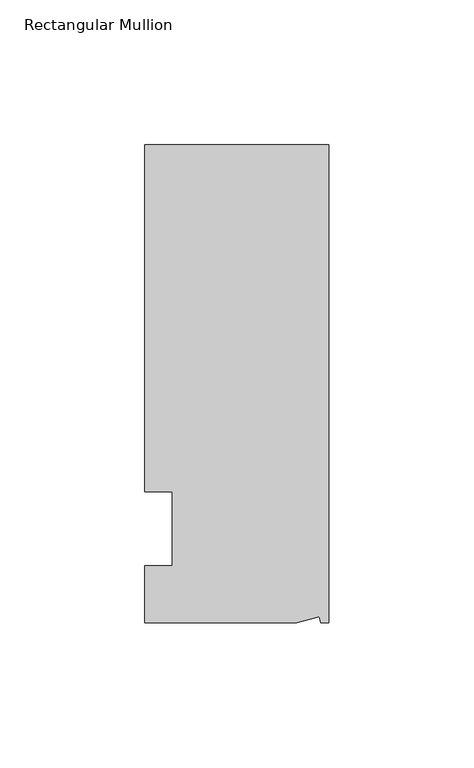
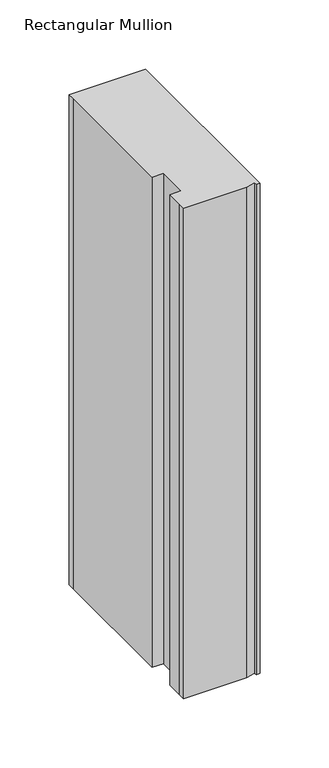
"""IFC4 building model written with IfcOpenShell, lengths in millimetres: member geometry, Rectangular Mullion."""

from ifc_helpers import new_model, si_unit, origin, place, context, project, spatial, faceted_brep, source, transform, mapped, element, save


def rectangular_mullion_7d20c284(model_context):
    return source(origin(), model_context, "Body", "Brep", [
        faceted_brep([(0.0, 132.5561012, 0.0), (-63.5, 132.5561012, 0.0), (-63.5, 126.2061012, 0.0), (-63.5, 12.8488281, 0.0), (-53.975, 12.8488281, 0.0), (-53.975, -12.7, 0.0), (-63.5, -12.7, 0.0), (-63.5, -26.1938988, 0.0), (-63.5076469, -32.5438988, 0.0), (-11.1125, -32.5438988, 0.0), (-3.3223696, -30.4565397, 0.0), (-2.7630634, -32.5438988, 0.0), (0.0, -32.5438988, 0.0), (0.0, 132.5561012, -431.8), (0.0, -32.5438988, -431.8), (-2.7630634, -32.5438988, -431.8), (-3.3223696, -30.4565397, -431.8), (-11.1125, -32.5438988, -431.8), (-63.5076469, -32.5438988, -431.8), (-63.5076469, -26.1938988, -431.8), (-63.5, -12.7, -431.8), (-53.975, -12.7, -431.8), (-53.975, 12.8488281, -431.8), (-63.5, 12.8488281, -431.8), (-63.5, 126.2061012, -431.8), (-63.5, 132.5561012, -431.8)], [[[0, 1, 2, 3, 4, 5, 6, 7, 8, 9, 10, 11, 12]], [[13, 14, 15, 16, 17, 18, 19, 20, 21, 22, 23, 24, 25]], [[0, 12, 14, 13]], [[1, 0, 13, 25]], [[3, 2, 24, 23]], [[4, 3, 23, 22]], [[5, 4, 22, 21]], [[6, 5, 21, 20]], [[7, 6, 20, 19]], [[9, 8, 18, 17]], [[10, 9, 17, 16]], [[11, 10, 16, 15]], [[12, 11, 15, 14]], [[2, 1, 25, 24]], [[8, 7, 19, 18]]]),
    ])


if __name__ == "__main__":
    model = new_model("IFC4")
    model_context = context("Model", 3, world=origin())
    ifc_project = project(units=[si_unit("LENGTHUNIT", "METRE", prefix="MILLI")], contexts=[model_context])
    site = spatial("IfcSite", under=ifc_project)
    building = spatial("IfcBuilding", under=site)
    placement = place(None, origin())
    rectangular_mullion_shape = rectangular_mullion_7d20c284(model_context)
    element("IfcMember", 1, ObjectType="Rectangular Mullion", at=placement, inside=building, context=model_context, shape_type="MappedRepresentation", body=[
        mapped(rectangular_mullion_shape, transform((0.0, 0.0, 0.0), x_axis=(1.0, 0.0, 0.0), y_axis=(0.0, 1.0, 0.0), z_axis=(0.0, 0.0, 1.0))),
    ])
    save(model, "model.ifc")
